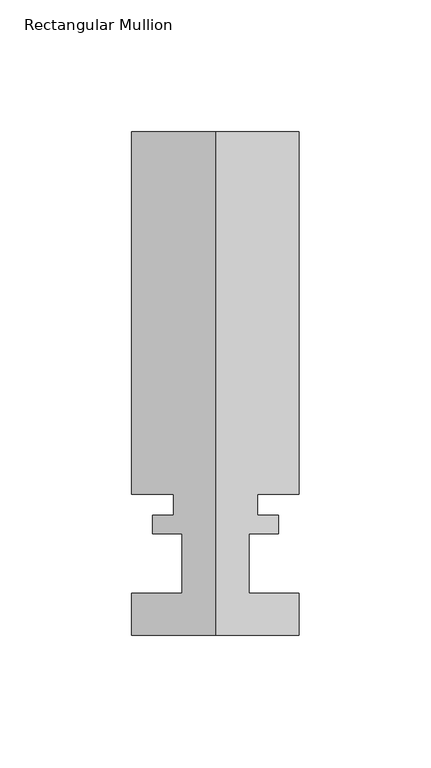
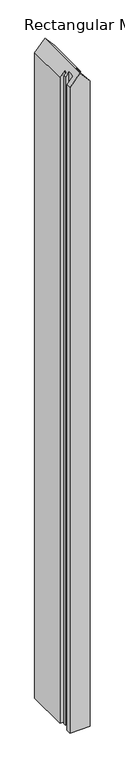
"""IFC4 building model written with IfcOpenShell, lengths in millimetres: member geometry, Rectangular Mullion."""

from ifc_helpers import new_model, si_unit, origin, place, context, project, spatial, faceted_brep, source, transform, mapped, element, save


def rectangular_mullion_047246b6(model_context):
    return source(origin(), model_context, "Body", "Brep", [
        faceted_brep([(-31.75, -0.0555625, -2343.8326892), (-31.75, 15.8194375, -2343.8326892), (-12.7, 15.8194375, -2343.8326892), (-12.7, 38.2984375, -2343.8326892), (-23.8252, 38.2984375, -2343.8326892), (-23.8252, 45.4612375, -2343.8326892), (-15.875, 45.4612375, -2343.8326892), (-15.875, 53.3606375, -2343.8326892), (-31.75, 53.3606375, -2343.8326892), (-31.75, 190.6984375, -2343.8326892), (31.75, 190.6984375, -2343.8326892), (31.75, 53.3606375, -2343.8326892), (15.875, 53.3606375, -2343.8326892), (15.875, 45.4612375, -2343.8326892), (23.8252, 45.4612375, -2343.8326892), (23.8252, 38.2984375, -2343.8326892), (12.7, 38.2984375, -2343.8326892), (12.7, 15.8194375, -2343.8326892), (31.75, 15.8194375, -2343.8326892), (31.75, -0.0555625, -2343.8326892), (31.75, -0.0555625, -206.8518957), (0.0, -0.0555625, -170.1901536), (-31.75, -0.0555625, -206.8518957), (31.75, 15.8194375, -206.8518957), (12.7, 15.8194375, -184.8548505), (12.7, 38.2984375, -184.8548505), (23.8252, 38.2984375, -197.7011249), (23.8252, 45.4612375, -197.7011249), (15.875, 45.4612375, -188.5210247), (15.875, 53.3606375, -188.5210247), (31.75, 53.3606375, -206.8518957), (31.75, 190.6984375, -206.8518957), (-31.75, 190.6984375, -206.8518957), (0.0, 190.6984375, -170.1901536), (-31.75, 53.3606375, -206.8518957), (-15.875, 53.3606375, -188.5210247), (-15.875, 45.4612375, -188.5210247), (-23.8252, 45.4612375, -197.7011249), (-23.8252, 38.2984375, -197.7011249), (-12.7, 38.2984375, -184.8548505), (-12.7, 15.8194375, -184.8548505), (-31.75, 15.8194375, -206.8518957)], [[[0, 1, 2, 3, 4, 5, 6, 7, 8, 9, 10, 11, 12, 13, 14, 15, 16, 17, 18, 19]], [[20, 21, 22, 0, 19]], [[23, 20, 19, 18]], [[24, 23, 18, 17]], [[25, 24, 17, 16]], [[26, 25, 16, 15]], [[27, 26, 15, 14]], [[28, 27, 14, 13]], [[29, 28, 13, 12]], [[30, 29, 12, 11]], [[31, 30, 11, 10]], [[32, 33, 31, 10, 9]], [[34, 32, 9, 8]], [[35, 34, 8, 7]], [[36, 35, 7, 6]], [[37, 36, 6, 5]], [[38, 37, 5, 4]], [[39, 38, 4, 3]], [[40, 39, 3, 2]], [[41, 40, 2, 1]], [[22, 41, 1, 0]], [[22, 21, 33, 32, 34, 35, 36, 37, 38, 39, 40, 41]], [[21, 20, 23, 24, 25, 26, 27, 28, 29, 30, 31, 33]]]),
    ])


if __name__ == "__main__":
    model = new_model("IFC4")
    model_context = context("Model", 3, world=origin())
    ifc_project = project(units=[si_unit("LENGTHUNIT", "METRE", prefix="MILLI")], contexts=[model_context])
    site = spatial("IfcSite", under=ifc_project)
    building = spatial("IfcBuilding", under=site)
    placement = place(None, origin())
    rectangular_mullion_shape = rectangular_mullion_047246b6(model_context)
    element("IfcMember", 1, ObjectType="Rectangular Mullion", at=placement, inside=building, context=model_context, shape_type="MappedRepresentation", body=[
        mapped(rectangular_mullion_shape, transform((0.0, 0.0, 0.0), x_axis=(1.0, 0.0, 0.0), y_axis=(0.0, 1.0, 0.0), z_axis=(0.0, 0.0, 1.0))),
    ])
    save(model, "model.ifc")
